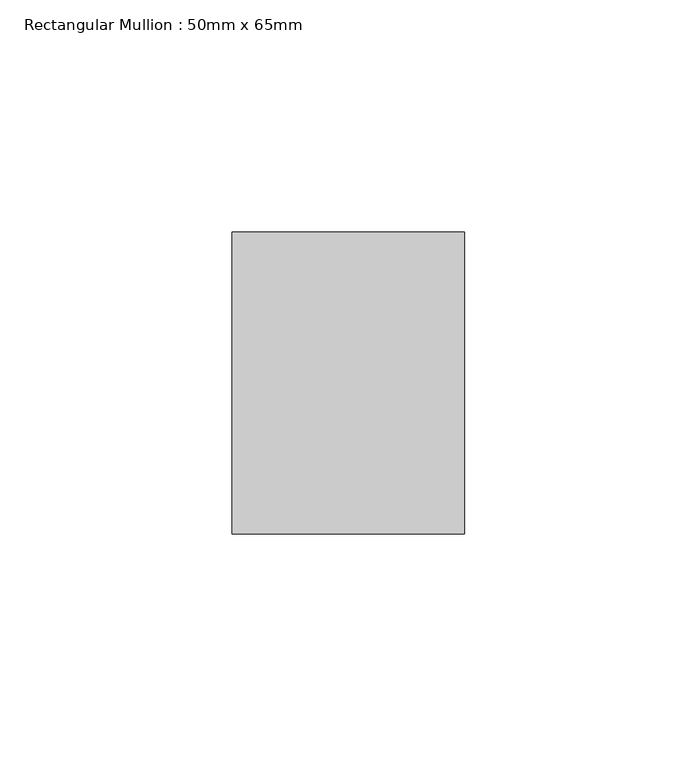
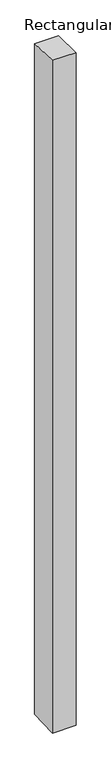
"""IFC4 building model written with IfcOpenShell, lengths in millimetres: member geometry, Rectangular Mullion : 50mm x 65mm."""

from ifc_helpers import new_model, si_unit, origin, place, context, project, spatial, faceted_brep, source, transform, mapped, element, save


def rectangular_mullion_50mm_x_65mm_f269755a(model_context):
    return source(origin(), model_context, "Body", "Brep", [
        faceted_brep([(-25.0, 32.5, -0.8979673), (25.0, 32.5, -0.8979597), (25.0, 32.5, -1498.8580762), (-25.0, 32.5, -1498.8580665), (-25.0, -32.5, 0.8979597), (-25.0, -32.5, -1501.1419672), (25.0, -32.5, 0.8979673), (25.0, -32.5, -1501.141977)], [[[0, 1, 2, 3]], [[4, 0, 3, 5]], [[6, 4, 5, 7]], [[1, 6, 7, 2]], [[1, 0, 4, 6]], [[2, 7, 5, 3]]]),
    ])


if __name__ == "__main__":
    model = new_model("IFC4")
    model_context = context("Model", 3, world=origin())
    ifc_project = project(units=[si_unit("LENGTHUNIT", "METRE", prefix="MILLI")], contexts=[model_context])
    site = spatial("IfcSite", under=ifc_project)
    building = spatial("IfcBuilding", under=site)
    placement = place(None, origin())
    rectangular_mullion_50mm_x_65mm_shape = rectangular_mullion_50mm_x_65mm_f269755a(model_context)
    element("IfcMember", 1, ObjectType="Rectangular Mullion : 50mm x 65mm", at=placement, inside=building, context=model_context, shape_type="MappedRepresentation", body=[
        mapped(rectangular_mullion_50mm_x_65mm_shape, transform((0.0, 0.0, 0.0), x_axis=(1.0, 0.0, 0.0), y_axis=(0.0, 1.0, 0.0), z_axis=(0.0, 0.0, 1.0))),
    ])
    save(model, "model.ifc")
